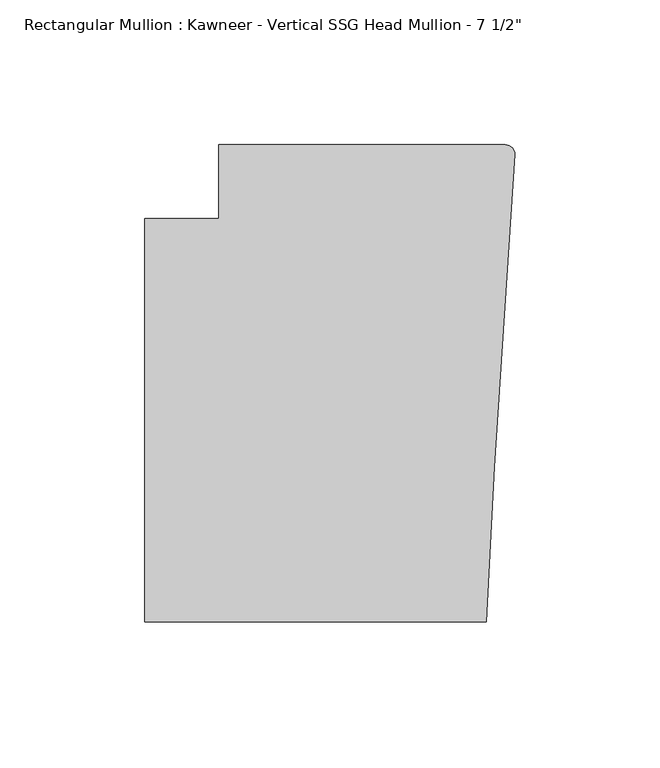
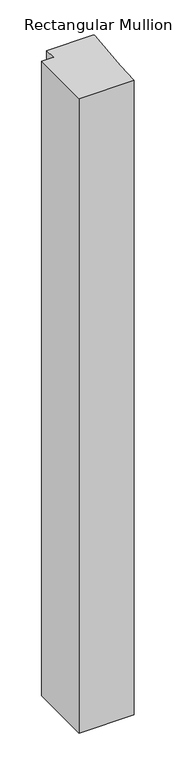
"""IFC4 building model written with IfcOpenShell, lengths in millimetres: member geometry."""

import ifcopenshell
import ifcopenshell.guid

model = None  # the IFC model being written
_history = None  # IfcOwnerHistory: only IFC2X3 demands one
_inside = {}  # id of a spatial element -> (the spatial element, [elements in it])
_under = {}  # id of a project, library or spatial element -> (it, [spatial elements below it])
_declared = {}  # id of a project -> (the project, [libraries it declares])
_typed = {}  # id of a type object -> (the type object, [elements of that type])
_made_of = {}  # id of a material, layer set ... -> (it, [elements and type objects made of it])


def new_model(schema):
    """Start an empty IFC model of exactly this schema.

    Asked for "IFC4X3", IfcOpenShell would pick the latest addendum, in which some entities
    have other attributes; the version numbers below select the first issue.
    IFC2X3 requires an IfcOwnerHistory on every rooted entity: one is made here for all.
    """
    global model, _history
    if schema == "IFC4X3":
        model = ifcopenshell.file(schema_version=(4, 3, 0, 0))
    else:
        model = ifcopenshell.file(schema=schema)
    _inside.clear()
    _under.clear()
    _declared.clear()
    _typed.clear()
    _made_of.clear()
    _history = None
    if model.schema == "IFC2X3":
        org = make("IfcOrganization", Name="unknown")
        user = make(
            "IfcPersonAndOrganization",
            ThePerson=make("IfcPerson", FamilyName="unknown"),
            TheOrganization=org,
        )
        app = make(
            "IfcApplication",
            ApplicationDeveloper=org,
            Version="unknown",
            ApplicationFullName="unknown",
            ApplicationIdentifier="unknown",
        )
        _history = make(
            "IfcOwnerHistory",
            OwningUser=user,
            OwningApplication=app,
            ChangeAction="ADDED",
            CreationDate=0,
        )
    return model


def make(cls, **values):
    """One entity of the class cls with the attributes given. An attribute that is None is left unset."""
    return model.create_entity(
        cls, **{name: value for name, value in values.items() if value is not None}
    )


def rooted(cls, **values):
    """An entity with a GlobalId (a new one), such as an element, a storey or a relation."""
    return make(cls, GlobalId=ifcopenshell.guid.new(), OwnerHistory=_history, **values)


def si_unit(unit_type, name, prefix=None):
    """IfcSIUnit, for example si_unit("LENGTHUNIT", "METRE", prefix="MILLI")."""
    return make("IfcSIUnit", UnitType=unit_type, Prefix=prefix, Name=name)


def assignment(units):
    """IfcUnitAssignment: the units of a project."""
    return None if units is None else make("IfcUnitAssignment", Units=units)


def point(xyz):
    """IfcCartesianPoint."""
    return None if xyz is None else make("IfcCartesianPoint", Coordinates=xyz)


def direction(xyz):
    """IfcDirection."""
    return None if xyz is None else make("IfcDirection", DirectionRatios=xyz)


def frame(location, z_axis=None, x_axis=None):
    """IfcAxis2Placement3D, a coordinate frame: its origin and axes. An axis left out is left unset."""
    return make(
        "IfcAxis2Placement3D",
        Location=point(location),
        Axis=direction(z_axis),
        RefDirection=direction(x_axis),
    )


def frame_2d(location, x_axis=None):
    """IfcAxis2Placement2D, a coordinate frame in the plane: its origin and x axis."""
    return make(
        "IfcAxis2Placement2D", Location=point(location), RefDirection=direction(x_axis)
    )


def origin():
    """The frame at (0, 0, 0) with its axes left unset."""
    return frame((0.0, 0.0, 0.0))


def place(relative_to, where):
    """IfcLocalPlacement: puts the frame where relative to a parent placement (None: the world)."""
    return make(
        "IfcLocalPlacement", PlacementRelTo=relative_to, RelativePlacement=where
    )


def context(
    kind, dimensions, precision=None, world=None, true_north=None, identifier=None
):
    """IfcGeometricRepresentationContext, for example the 3D "Model" context."""
    return make(
        "IfcGeometricRepresentationContext",
        ContextIdentifier=identifier,
        ContextType=kind,
        CoordinateSpaceDimension=dimensions,
        Precision=precision,
        WorldCoordinateSystem=world,
        TrueNorth=true_north,
    )


def project(units=None, contexts=None):
    """IfcProject with its units and contexts."""
    return rooted(
        "IfcProject",
        Name="project",
        RepresentationContexts=contexts,
        UnitsInContext=assignment(units),
    )


def spatial(cls, under=None, at=None, **own):
    """A site, building, storey or space (cls), placed at a placement, below another one or the project."""
    s = rooted(cls, ObjectPlacement=at, **own)
    if under is not None:
        _under.setdefault(under.id(), (under, []))[1].append(s)
    return s


def polyline(points):
    """IfcPolyline through the points."""
    return make("IfcPolyline", Points=[point(p) for p in points])


def circle_curve(where, radius):
    """IfcCircle in the frame where."""
    return make("IfcCircle", Position=where, Radius=radius)


def trimmed(basis, trim1, trim2, sense, master):
    """IfcTrimmedCurve: the piece of a basis curve between two trims."""
    return make(
        "IfcTrimmedCurve",
        BasisCurve=basis,
        Trim1=trim1,
        Trim2=trim2,
        SenseAgreement=sense,
        MasterRepresentation=master,
    )


def segment(curve, same_sense, transition):
    """IfcCompositeCurveSegment."""
    return make(
        "IfcCompositeCurveSegment",
        Transition=transition,
        SameSense=same_sense,
        ParentCurve=curve,
    )


def composite_curve(segments, self_intersect=None):
    """IfcCompositeCurve: segments joined end to end."""
    return make("IfcCompositeCurve", Segments=segments, SelfIntersect=self_intersect)


def outline(outer, holes=None, kind="AREA"):
    """IfcArbitraryClosedProfileDef: a profile drawn as a closed curve; with holes, ...WithVoids."""
    if holes is None:
        return make("IfcArbitraryClosedProfileDef", ProfileType=kind, OuterCurve=outer)
    return make(
        "IfcArbitraryProfileDefWithVoids",
        ProfileType=kind,
        OuterCurve=outer,
        InnerCurves=holes,
    )


def extrude(swept, where, along, depth):
    """IfcExtrudedAreaSolid: the profile swept, set in the frame where, extruded along a direction by depth."""
    return make(
        "IfcExtrudedAreaSolid",
        SweptArea=swept,
        Position=where,
        ExtrudedDirection=direction(along),
        Depth=depth,
    )


def shape(context_of_items, identifier, shape_type, items):
    """IfcShapeRepresentation: the items that make up one representation, for example the "Body"."""
    return make(
        "IfcShapeRepresentation",
        ContextOfItems=context_of_items,
        RepresentationIdentifier=identifier,
        RepresentationType=shape_type,
        Items=items,
    )


def source(mapping_origin, context_of_items, identifier, shape_type, items):
    """IfcRepresentationMap: a shape defined once, which mapped items show again and again."""
    return make(
        "IfcRepresentationMap",
        MappingOrigin=mapping_origin,
        MappedRepresentation=shape(context_of_items, identifier, shape_type, items),
    )


def transform(
    local_origin,
    x_axis=None,
    y_axis=None,
    z_axis=None,
    scale=None,
    scale2=None,
    scale3=None,
    uniform=True,
):
    """IfcCartesianTransformationOperator3D, or its non-uniform kind. x_axis, y_axis, z_axis: its Axis1, 2, 3."""
    if uniform:
        return make(
            "IfcCartesianTransformationOperator3D",
            Axis1=direction(x_axis),
            Axis2=direction(y_axis),
            LocalOrigin=point(local_origin),
            Scale=scale,
            Axis3=direction(z_axis),
        )
    return make(
        "IfcCartesianTransformationOperator3DnonUniform",
        Axis1=direction(x_axis),
        Axis2=direction(y_axis),
        LocalOrigin=point(local_origin),
        Scale=scale,
        Axis3=direction(z_axis),
        Scale2=scale2,
        Scale3=scale3,
    )


def mapped(mapping_source, mapping_target):
    """IfcMappedItem: shows the shape of a source again, moved by a transform."""
    return make(
        "IfcMappedItem", MappingSource=mapping_source, MappingTarget=mapping_target
    )


def made_of(thing, what):
    """Note that an element or type object is made of a material, layer set ...; save() writes the relation."""
    if what is not None:
        _made_of.setdefault(what.id(), (what, []))[1].append(thing)
    return thing


def element(
    cls,
    number,
    at=None,
    inside=None,
    cuts=None,
    type_object=None,
    material=None,
    context=None,
    identifier="Body",
    shape_type=None,
    held_by="IfcProductDefinitionShape",
    body=None,
    shapes=None,
    **own,
):
    """One element of the class cls, such as IfcWall. Its Tag is "e" and its number.

    at: its placement. inside: the storey or other place that contains it. cuts: it is an
    opening in that element (IfcRelVoidsElement). A single representation is given by context,
    identifier, shape_type and body (its items); several are given by shapes. held_by: the class
    of the entity that holds the representations. save() writes the other relations.
    """
    e = rooted(cls, Tag="e%d" % number, ObjectPlacement=at, **own)
    if body is not None:
        shapes = [shape(context, identifier, shape_type, body)]
    if shapes is not None:
        e.Representation = make(held_by, Representations=shapes)
    if inside is not None:
        _inside.setdefault(inside.id(), (inside, []))[1].append(e)
    if cuts is not None:
        rooted(
            "IfcRelVoidsElement", RelatingBuildingElement=cuts, RelatedOpeningElement=e
        )
    if type_object is not None:
        _typed.setdefault(type_object.id(), (type_object, []))[1].append(e)
    return made_of(e, material)


def aggregate(whole, parts):
    """IfcRelAggregates: a whole, such as a stair, and the parts it consists of."""
    return rooted("IfcRelAggregates", RelatingObject=whole, RelatedObjects=parts)


def save(model, path):
    """Write the relations noted so far, then the file.

    IfcRelAggregates (storeys below a building ...), IfcRelContainedInSpatialStructure (elements
    in a storey), IfcRelDefinesByType, IfcRelAssociatesMaterial and IfcRelDeclares: one each for
    every whole, place, type object, material and project.
    """
    for whole, parts in _under.values():
        aggregate(whole, parts)
    for where, things in _inside.values():
        rooted(
            "IfcRelContainedInSpatialStructure",
            RelatedElements=things,
            RelatingStructure=where,
        )
    for kind, things in _typed.values():
        rooted("IfcRelDefinesByType", RelatedObjects=things, RelatingType=kind)
    for what, things in _made_of.values():
        rooted("IfcRelAssociatesMaterial", RelatedObjects=things, RelatingMaterial=what)
    for by, libraries in _declared.values():
        rooted("IfcRelDeclares", RelatingContext=by, RelatedDefinitions=libraries)
    model.write(path)


def member_88387da7(model_context):
    return source(origin(), model_context, "Body", "SweptSolid", [
        extrude(outline(composite_curve([segment(polyline([(-102.08978, 12.7), (-3.175, 12.7)]), True, "CONTINUOUS"), segment(trimmed(circle_curve(frame_2d((-3.175, 9.525)), 3.175), [point((-3.175, 12.7))], [point((-0.006635, 9.3198462))], False, "CARTESIAN"), True, "CONTINUOUS"), segment(polyline([(-0.006635, 9.3198462), (-6.9873394, -98.4891117), (-9.7860662, -151.892), (-127.4896668, -151.892), (-127.4896668, -12.7), (-102.08978, -12.7), (-102.08978, 12.7)]), True, "CONTINUOUS")], self_intersect=False)), frame((0.0, 0.0, -1440.1582482), z_axis=(0.0, 0.0, 1.0), x_axis=(1.0, 0.0, 0.0)), (0.0, 0.0, 1.0), 1440.1582482),
    ])


if __name__ == "__main__":
    model = new_model("IFC4")
    model_context = context("Model", 3, world=origin())
    ifc_project = project(units=[si_unit("LENGTHUNIT", "METRE", prefix="MILLI")], contexts=[model_context])
    site = spatial("IfcSite", under=ifc_project)
    building = spatial("IfcBuilding", under=site)
    placement = place(None, origin())
    member_shape = member_88387da7(model_context)
    element("IfcMember", 1, ObjectType="Rectangular Mullion : Kawneer - Vertical SSG Head Mullion - 7 1/2\"", at=placement, inside=building, context=model_context, shape_type="MappedRepresentation", body=[
        mapped(member_shape, transform((0.0, 0.0, 0.0), x_axis=(1.0, 0.0, 0.0), y_axis=(0.0, 1.0, 0.0), z_axis=(0.0, 0.0, 1.0))),
    ])
    save(model, "model.ifc")
